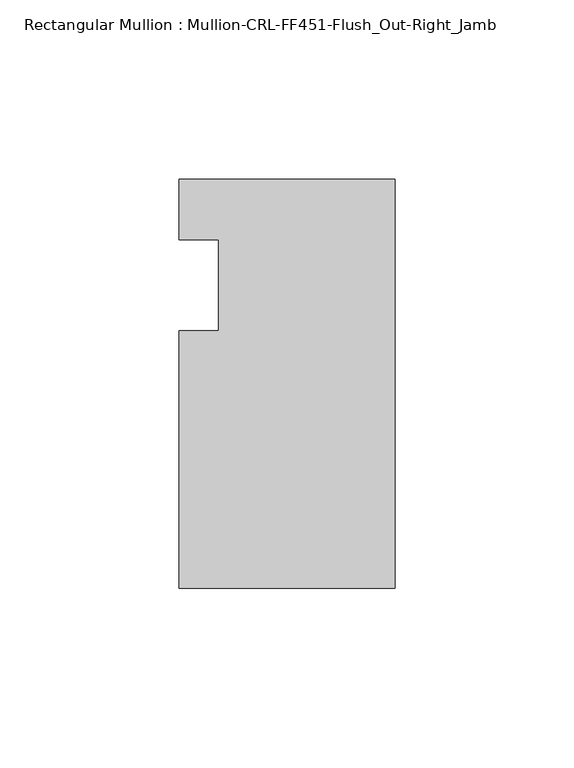
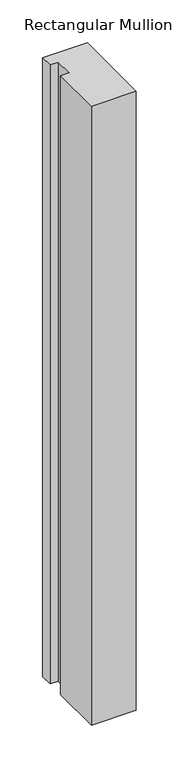
"""IFC4 building model written with IfcOpenShell, lengths in millimetres: member geometry, Rectangular Mullion : Mullion-CRL-FF451-Flush_Out-Right_Jamb."""

from ifc_helpers import new_model, si_unit, frame, origin, place, context, project, spatial, polyline, outline, extrude, source, transform, mapped, element, save


def rectangular_mullion_mullion_crl_ff451_flush_out_right_jamb_1e6f69a3(model_context):
    return source(origin(), model_context, "Body", "SweptSolid", [
        extrude(outline(polyline([(0.0, -84.6650108), (-60.362207, -84.6650108), (-60.362207, -12.7), (-49.222241, -12.7), (-49.222241, 12.7), (-60.362207, 12.7), (-60.362207, 29.6349892), (0.0, 29.6349892), (0.0, -84.6650108)])), frame((0.0, 0.0, -882.65), z_axis=(0.0, 0.0, 1.0), x_axis=(1.0, 0.0, 0.0)), (0.0, 0.0, 1.0), 882.65),
    ])


if __name__ == "__main__":
    model = new_model("IFC4")
    model_context = context("Model", 3, world=origin())
    ifc_project = project(units=[si_unit("LENGTHUNIT", "METRE", prefix="MILLI")], contexts=[model_context])
    site = spatial("IfcSite", under=ifc_project)
    building = spatial("IfcBuilding", under=site)
    placement = place(None, origin())
    rectangular_mullion_mullion_crl_ff451_flush_out_right_jamb_shape = rectangular_mullion_mullion_crl_ff451_flush_out_right_jamb_1e6f69a3(model_context)
    element("IfcMember", 1, ObjectType="Rectangular Mullion : Mullion-CRL-FF451-Flush_Out-Right_Jamb", at=placement, inside=building, context=model_context, shape_type="MappedRepresentation", body=[
        mapped(rectangular_mullion_mullion_crl_ff451_flush_out_right_jamb_shape, transform((0.0, 0.0, 0.0), x_axis=(1.0, 0.0, 0.0), y_axis=(0.0, 1.0, 0.0), z_axis=(0.0, 0.0, 1.0))),
    ])
    save(model, "model.ifc")
